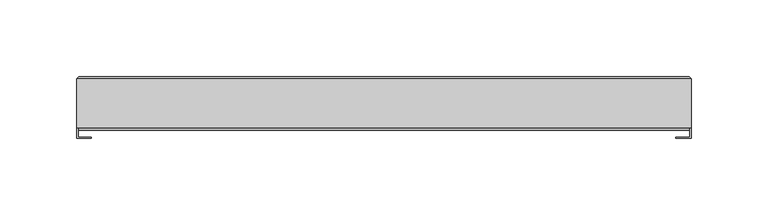
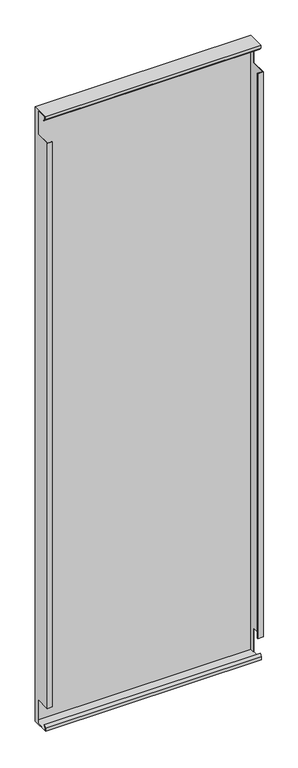
"""IFC4 building model written with IfcOpenShell, lengths in millimetres: plate geometry."""

from ifc_helpers import new_model, si_unit, frame, origin, place, context, project, spatial, polyline, outline, extrude, faceted_brep, source, transform, mapped, element, save


def plate_f095a643(model_context):
    return source(origin(), model_context, "Body", "SolidModel", [
        faceted_brep([(-198.4000002, 32.2, 1198.4), (-198.4000002, 23.0, 1198.4), (-198.4000002, 23.0, 1151.2), (-198.4000002, -6.2, 1151.2), (-198.4000002, -6.2, 48.0), (-198.4000002, 23.0, 48.0), (-198.4000002, 23.0, 0.8), (-198.4000002, 32.2, 0.8), (-199.2000002, 0.8, 1198.4), (-199.2000002, 0.8, 1193.5313708), (-199.2000002, 4.8083261, 1189.5230447), (-199.2000002, 4.2426407, 1188.9573593), (-199.2000002, 0.0, 1193.2), (-199.2000002, 0.0, 1199.2), (-199.2000002, 31.8, 1199.2), (-199.2000002, 31.8, 0.0), (-199.2000002, -1.6, 0.0), (-199.2000002, -1.6, 6.0), (-199.2000002, 2.6426407, 10.2426407), (-199.2000002, 3.2083261, 9.6769553), (-199.2000002, -0.8, 5.6686292), (-199.2000002, -0.8, 0.8), (-199.2000002, 23.0, 0.8), (-199.2000002, 23.0, 48.0), (-199.2000002, -7.0, 48.0), (-199.2000002, -7.0, 1151.2), (-199.2000002, 23.0, 1151.2), (-199.2000002, 23.0, 1198.4), (200.0000002, -1.6, 0.0), (199.2000002, 31.85, 0.0), (200.0000002, 31.85, 0.0), (-198.0000002, 33.0, 1.15), (-198.0000002, 33.0, 1198.0), (198.8000002, 33.0, 1198.0), (198.8000002, 33.0, 1.15), (190.0000002, 33.0, 10.0), (190.0000002, 33.0, 1189.2), (-190.0000002, 33.0, 1189.2), (-190.0000002, 33.0, 10.0), (200.0000002, 0.0, 1199.2), (200.0000002, 31.8, 1199.2), (199.2000002, 31.8, 1199.2), (200.0000002, 0.0, 1193.2), (200.0000002, 4.2426407, 1188.9573593), (200.0000002, 4.8083261, 1189.5230447), (200.0000002, 0.8, 1193.5313708), (200.0000002, 0.8, 1198.4), (200.0000002, 23.0, 1198.4), (200.0000002, 23.0, 1151.2), (200.0000002, -7.0, 1151.2), (200.0000002, -7.0, 48.0), (200.0000002, 23.0, 48.0), (200.0000002, 23.0, 0.8), (200.0000002, -0.8, 0.8), (200.0000002, -0.8, 5.6686292), (200.0000002, 3.2083261, 9.6769553), (200.0000002, 2.6426407, 10.2426407), (200.0000002, -1.6, 6.0), (199.2000002, 32.2, 1198.4), (199.2000002, 23.0, 1198.4), (199.2000002, 32.2, 0.8), (190.0000002, 32.2, 1189.2), (190.0000002, 32.2, 10.0), (-190.0000002, 32.2, 10.0), (-190.0000002, 32.2, 1189.2), (199.2000002, 23.0, 0.8), (199.2000002, 23.0, 48.0), (199.2000002, -6.2, 48.0), (199.2000002, -6.2, 1151.2), (199.2000002, 23.0, 1151.2), (190.0000002, -6.2, 1151.2), (190.0000002, -7.0, 1151.2), (190.0000002, -7.0, 48.0), (190.0000002, -6.2, 48.0), (-190.0000002, -7.0, 1151.2), (-190.0000002, -6.2, 1151.2), (-190.0000002, -6.2, 48.0), (-190.0000002, -7.0, 48.0)], [[[0, 1, 2, 3, 4, 5, 6, 7]], [[8, 9, 10, 11, 12, 13, 14, 15, 16, 17, 18, 19, 20, 21, 22, 23, 24, 25, 26, 27]], [[1, 27, 26, 2]], [[22, 6, 5, 23]], [[28, 16, 15, 29, 30]], [[31, 32, 33, 34], [35, 36, 37, 38]], [[13, 39, 40, 41, 14]], [[39, 42, 43, 44, 45, 46, 47, 48, 49, 50, 51, 52, 53, 54, 55, 56, 57, 28, 30, 40]], [[42, 39, 13, 12]], [[46, 45, 9, 8]], [[46, 8, 27, 1, 0, 58, 59, 47]], [[58, 0, 7, 60], [61, 62, 63, 64]], [[36, 61, 64, 37]], [[28, 57, 17, 16]], [[21, 53, 52, 65, 60, 7, 6, 22]], [[62, 35, 38, 63]], [[29, 15, 31, 34, 30]], [[41, 40, 33, 32, 14]], [[59, 58, 60, 65, 66, 67, 68, 69]], [[47, 59, 69, 48]], [[65, 52, 51, 66]], [[49, 48, 69, 68, 70, 71]], [[50, 72, 73, 67, 66, 51]], [[70, 68, 67, 73]], [[71, 70, 73, 72]], [[49, 71, 72, 50]], [[25, 74, 75, 3, 2, 26]], [[24, 23, 5, 4, 76, 77]], [[3, 75, 76, 4]], [[75, 74, 77, 76]], [[74, 25, 24, 77]], [[54, 53, 21, 20]], [[62, 61, 36, 35]], [[64, 63, 38, 37]], [[43, 42, 12, 11]], [[44, 43, 11, 10]], [[45, 44, 10, 9]], [[55, 54, 20, 19]], [[56, 55, 19, 18]], [[57, 56, 18, 17]], [[15, 14, 32, 31]], [[34, 33, 40, 30]]]),
        extrude(outline(polyline([(199.2000002, 31.0), (-198.4000002, 31.0), (-198.4000002, 32.5), (199.2000002, 32.5), (199.2000002, 31.0)])), frame((0.0, 0.0, 0.8), z_axis=(0.0, 0.0, 1.0), x_axis=(1.0, 0.0, 0.0)), (0.0, 0.0, 1.0), 1197.6),
        extrude(outline(polyline([(190.0000002, 32.2), (-190.0000002, 32.2), (-190.0000002, 33.0), (190.0000002, 33.0), (190.0000002, 32.2)])), frame((0.0, 0.0, 10.0), z_axis=(0.0, 0.0, 1.0), x_axis=(1.0, 0.0, 0.0)), (0.0, 0.0, 1.0), 1179.2),
    ])


if __name__ == "__main__":
    model = new_model("IFC4")
    model_context = context("Model", 3, world=origin())
    ifc_project = project(units=[si_unit("LENGTHUNIT", "METRE", prefix="MILLI")], contexts=[model_context])
    site = spatial("IfcSite", under=ifc_project)
    building = spatial("IfcBuilding", under=site)
    placement = place(None, origin())
    plate_shape = plate_f095a643(model_context)
    element("IfcPlate", 1, at=placement, inside=building, context=model_context, shape_type="MappedRepresentation", body=[
        mapped(plate_shape, transform((0.0, 0.0, 0.0), x_axis=(1.0, 0.0, 0.0), y_axis=(0.0, 1.0, 0.0), z_axis=(0.0, 0.0, 1.0))),
    ])
    save(model, "model.ifc")
